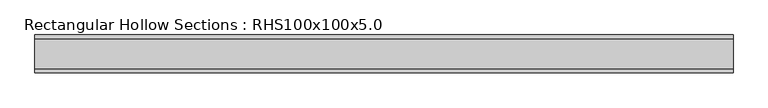
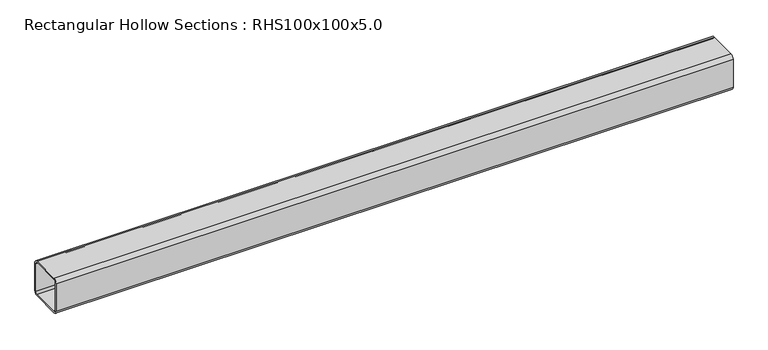
"""IFC4 building model written with IfcOpenShell, lengths in millimetres: beam geometry, Rectangular Hollow Sections : RHS100x100x5.0."""

from ifc_helpers import new_model, si_unit, point, frame, frame_2d, origin, place, context, project, spatial, polyline, circle_curve, trimmed, segment, composite_curve, outline, extrude, source, transform, mapped, element, save


def rectangular_hollow_sections_rhs100x100x5_0_39bcc4c8(model_context):
    return source(origin(), model_context, "Body", "SweptSolid", [
        extrude(outline(composite_curve([segment(polyline([(50.0, 40.0), (50.0, -40.0)]), True, "CONTINUOUS"), segment(trimmed(circle_curve(frame_2d((40.0, -40.0)), 10.0), [point((50.0, -40.0))], [point((40.0, -50.0))], False, "CARTESIAN"), True, "CONTINUOUS"), segment(polyline([(40.0, -50.0), (-40.0, -50.0)]), True, "CONTINUOUS"), segment(trimmed(circle_curve(frame_2d((-40.0, -40.0)), 10.0), [point((-40.0, -50.0))], [point((-50.0, -40.0))], False, "CARTESIAN"), True, "CONTINUOUS"), segment(polyline([(-50.0, -40.0), (-50.0, 40.0)]), True, "CONTINUOUS"), segment(trimmed(circle_curve(frame_2d((-40.0, 40.0)), 10.0), [point((-50.0, 40.0))], [point((-40.0, 50.0))], False, "CARTESIAN"), True, "CONTINUOUS"), segment(polyline([(-40.0, 50.0), (40.0, 50.0)]), True, "CONTINUOUS"), segment(trimmed(circle_curve(frame_2d((40.0, 40.0)), 10.0), [point((40.0, 50.0))], [point((50.0, 40.0))], False, "CARTESIAN"), True, "CONTINUOUS")], self_intersect=False), holes=[composite_curve([segment(trimmed(circle_curve(frame_2d((-40.0, 40.0)), 5.0), [point((-40.0, 45.0))], [point((-45.0, 40.0))], True, "CARTESIAN"), True, "CONTINUOUS"), segment(polyline([(-45.0, 40.0), (-45.0, -40.0)]), True, "CONTINUOUS"), segment(trimmed(circle_curve(frame_2d((-40.0, -40.0)), 5.0), [point((-45.0, -40.0))], [point((-40.0, -45.0))], True, "CARTESIAN"), True, "CONTINUOUS"), segment(polyline([(-40.0, -45.0), (40.0, -45.0)]), True, "CONTINUOUS"), segment(trimmed(circle_curve(frame_2d((40.0, -40.0)), 5.0), [point((40.0, -45.0))], [point((45.0, -40.0))], True, "CARTESIAN"), True, "CONTINUOUS"), segment(polyline([(45.0, -40.0), (45.0, 40.0)]), True, "CONTINUOUS"), segment(trimmed(circle_curve(frame_2d((40.0, 40.0)), 5.0), [point((45.0, 40.0))], [point((40.0, 45.0))], True, "CARTESIAN"), True, "CONTINUOUS"), segment(polyline([(40.0, 45.0), (-40.0, 45.0)]), True, "CONTINUOUS")], self_intersect=False)]), frame((-925.0, 0.0, 0.0), z_axis=(1.0, 0.0, 0.0), x_axis=(0.0, 1.0, 0.0)), (0.0, 0.0, 1.0), 1850.0),
    ])


if __name__ == "__main__":
    model = new_model("IFC4")
    model_context = context("Model", 3, world=origin())
    ifc_project = project(units=[si_unit("LENGTHUNIT", "METRE", prefix="MILLI")], contexts=[model_context])
    site = spatial("IfcSite", under=ifc_project)
    building = spatial("IfcBuilding", under=site)
    placement = place(None, origin())
    rectangular_hollow_sections_rhs100x100x5_0_shape = rectangular_hollow_sections_rhs100x100x5_0_39bcc4c8(model_context)
    element("IfcBeam", 1, ObjectType="Rectangular Hollow Sections : RHS100x100x5.0", at=placement, inside=building, context=model_context, shape_type="MappedRepresentation", body=[
        mapped(rectangular_hollow_sections_rhs100x100x5_0_shape, transform((0.0, 0.0, 0.0), x_axis=(1.0, 0.0, 0.0), y_axis=(0.0, 1.0, 0.0), z_axis=(0.0, 0.0, 1.0))),
    ])
    save(model, "model.ifc")
